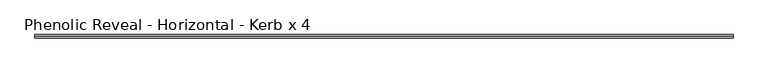
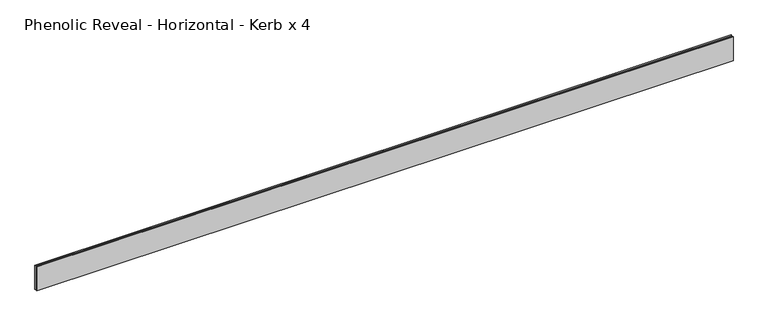
"""IFC4 building model written with IfcOpenShell, lengths in millimetres: proxy geometry, Phenolic Reveal - Horizontal - Kerb x 4."""

from ifc_helpers import new_model, si_unit, origin, place, context, project, spatial, faceted_brep, source, transform, mapped, element, save


def phenolic_reveal_horizontal_kerb_x_4_1d91a4af(model_context):
    return source(origin(), model_context, "Body", "Brep", [
        faceted_brep([(2086.9671875, 9.525, 76.2), (2086.9671875, 6.0765851, 76.2), (2086.9671875, 6.0765851, 0.0), (2086.9671875, 9.525, 0.0), (2086.9671875, 3.3757545, 0.0), (2086.9671875, 3.3757545, 76.2), (2086.9671875, 0.0, 76.2), (2086.9671875, 0.0, 0.0), (0.0, 9.525, 76.2), (0.0, 9.525, 0.0), (0.0, 6.0765851, 0.0), (0.0, 6.0765851, 76.2), (0.0, 3.3757545, 76.2), (0.0, 3.3757545, 0.0), (0.0, 0.0, 0.0), (0.0, 0.0, 76.2), (2075.8546875, 6.0765851, 65.3591015), (2075.8546875, 6.0765851, 10.8408985), (11.1125, 6.0765851, 10.8408985), (11.1125, 6.0765851, 65.3591015), (11.1125, 3.3757545, 65.3591015), (2075.8546875, 3.3757545, 65.3591015), (11.1125, 3.3757545, 10.8408985), (2075.8546875, 3.3757545, 10.8408985)], [[[0, 1, 2, 3]], [[4, 5, 6, 7]], [[8, 9, 10, 11]], [[12, 13, 14, 15]], [[11, 1, 0, 8]], [[2, 1, 11, 10], [16, 17, 18, 19]], [[16, 19, 20, 21]], [[5, 4, 13, 12], [20, 22, 23, 21]], [[6, 5, 12, 15]], [[7, 6, 15, 14]], [[13, 4, 7, 14]], [[23, 22, 18, 17]], [[3, 2, 10, 9]], [[0, 3, 9, 8]], [[21, 23, 17, 16]], [[22, 20, 19, 18]]]),
    ])


if __name__ == "__main__":
    model = new_model("IFC4")
    model_context = context("Model", 3, world=origin())
    ifc_project = project(units=[si_unit("LENGTHUNIT", "METRE", prefix="MILLI")], contexts=[model_context])
    site = spatial("IfcSite", under=ifc_project)
    building = spatial("IfcBuilding", under=site)
    placement = place(None, origin())
    phenolic_reveal_horizontal_kerb_x_4_shape = phenolic_reveal_horizontal_kerb_x_4_1d91a4af(model_context)
    element("IfcBuildingElementProxy", 1, Name="Phenolic Reveal - Horizontal - Kerb x 4", ObjectType="Phenolic Reveal - Horizontal - Kerb x 4", at=placement, inside=building, context=model_context, shape_type="MappedRepresentation", body=[
        mapped(phenolic_reveal_horizontal_kerb_x_4_shape, transform((0.0, 0.0, 0.0), x_axis=(1.0, 0.0, 0.0), y_axis=(0.0, 1.0, 0.0), z_axis=(0.0, 0.0, 1.0))),
    ])
    save(model, "model.ifc")
